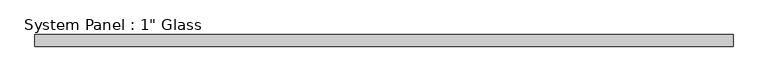
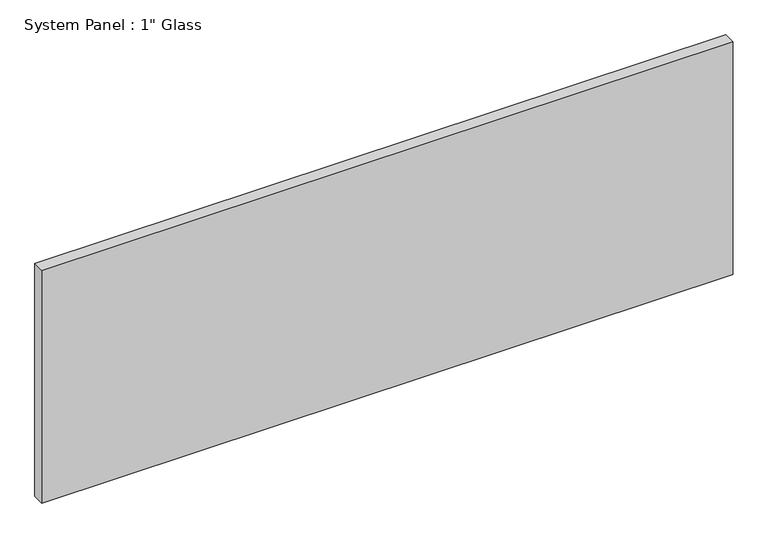
"""IFC4 building model written with IfcOpenShell, lengths in millimetres: plate geometry."""

from ifc_helpers import new_model, si_unit, origin, origin_with_axes, place, context, project, spatial, polyline, outline, extrude, source, transform, mapped, element, save


def plate_94fcb733(model_context):
    return source(origin(), model_context, "Body", "SweptSolid", [
        extrude(outline(polyline([(762.0, -12.7), (-762.0, -12.7), (-762.0, 12.7), (762.0, 12.7), (762.0, -12.7)])), origin_with_axes(), (0.0, 0.0, 1.0), 542.925),
    ])


if __name__ == "__main__":
    model = new_model("IFC4")
    model_context = context("Model", 3, world=origin())
    ifc_project = project(units=[si_unit("LENGTHUNIT", "METRE", prefix="MILLI")], contexts=[model_context])
    site = spatial("IfcSite", under=ifc_project)
    building = spatial("IfcBuilding", under=site)
    placement = place(None, origin())
    plate_shape = plate_94fcb733(model_context)
    element("IfcPlate", 1, ObjectType="System Panel : 1\" Glass", at=placement, inside=building, context=model_context, shape_type="MappedRepresentation", body=[
        mapped(plate_shape, transform((0.0, 0.0, 0.0), x_axis=(1.0, 0.0, 0.0), y_axis=(0.0, 1.0, 0.0), z_axis=(0.0, 0.0, 1.0))),
    ])
    save(model, "model.ifc")
